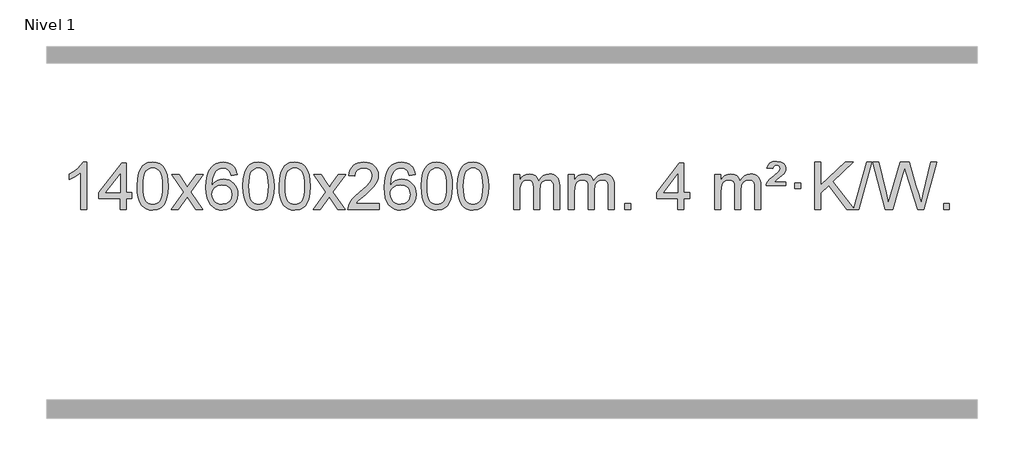
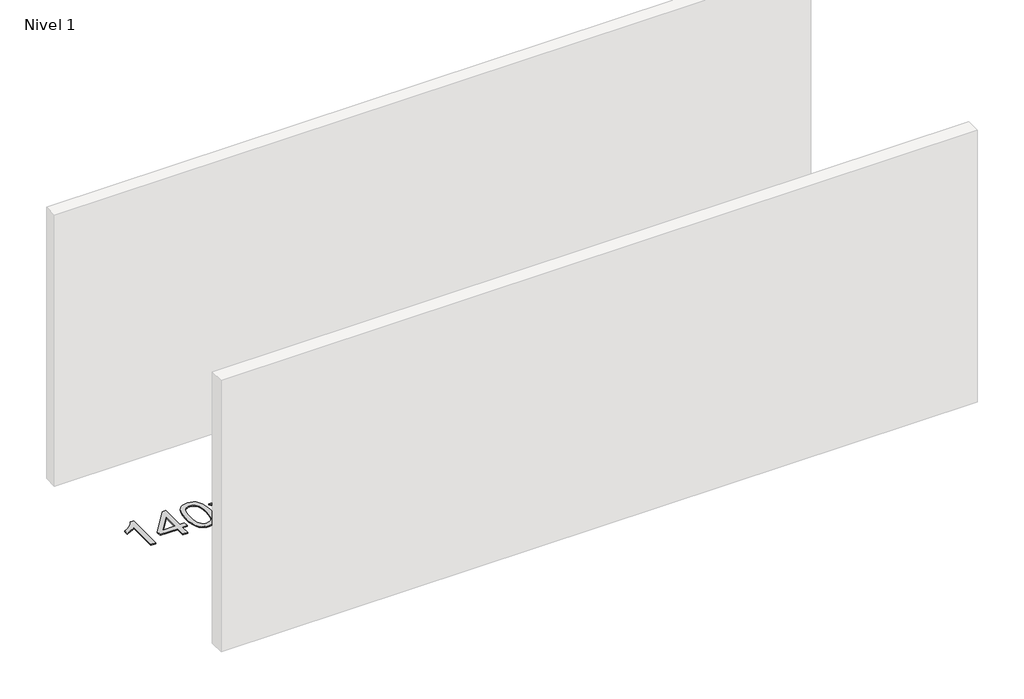
# One storey, part 5 of 12: 1 proxy.
"""IFC4 building model written with IfcOpenShell, lengths in millimetres."""

from ifc_helpers import new_model, si_unit, origin, origin_with_axes, place, context, project, spatial, polyline, outline, extrude, element, save

model = new_model("IFC4")

# Units and contexts
model_context = context("Model", 3, world=origin())
ifc_project = project(units=[si_unit("LENGTHUNIT", "METRE", prefix="MILLI")], contexts=[model_context])

# Site, building, storey
site = spatial("IfcSite", under=ifc_project)
building = spatial("IfcBuilding", under=site)
storey = spatial("IfcBuildingStorey", under=building, Name="Nivel 1", Elevation=0.0)

# Proxy
placement = place(None, origin())
element("IfcBuildingElementProxy", 1, Name="Texto de modelo 1", ObjectType="Texto de modelo 1", at=placement, inside=storey, context=model_context, shape_type="SweptSolid", body=[
    extrude(outline(polyline([(5510.6673634, -15393.579453), (5460.4392083, -15393.579453), (5460.4392083, -15080.4382987), (5439.4699346, -15097.3976587), (5412.8598036, -15114.3324932), (5359.9828981, -15139.6918254), (5359.9828981, -15092.2105225), (5399.4321108, -15070.7507395), (5433.6083481, -15045.219729), (5460.5495729, -15018.0700378), (5478.2937478, -14991.7542124), (5510.6673634, -14991.7542124), (5510.6673634, -15393.579453)])), origin_with_axes(), (0.0, 0.0, 1.0), 10.0),
    extrude(outline(polyline([(5793.2007357, -15393.579453), (5793.2007357, -15299.4016622), (5611.1236735, -15299.4016622), (5611.1236735, -15249.1735072), (5805.7577744, -14998.0327318), (5843.4288907, -14998.0327318), (5843.4288907, -15249.1735072), (5893.6570458, -15249.1735072), (5893.6570458, -15299.4016622), (5843.4288907, -15299.4016622), (5843.4288907, -15393.579453), (5793.2007357, -15393.579453)]), holes=[polyline([(5793.2007357, -15249.1735072), (5793.2007357, -15093.9763561), (5672.9278487, -15249.1735072), (5793.2007357, -15249.1735072)])]), origin_with_axes(), (0.0, 0.0, 1.0), 10.0),
    extrude(outline(polyline([(5937.6066815, -15195.9041943), (5941.2977642, -15131.5861588), (5952.3710122, -15080.2911459), (5970.7160611, -15041.2343407), (5982.5741241, -15026.0009605), (5996.2225461, -15013.6309284), (6011.7073124, -15004.0598651), (6029.0744082, -14997.2233914), (6069.4555886, -14991.7542124), (6100.4067271, -14994.991574), (6128.1205041, -15004.7036586), (6151.2970698, -15020.5103217), (6168.6365745, -15042.0314184), (6181.7331735, -15069.0830078), (6192.1810222, -15101.4811488), (6199.0236273, -15142.6226186), (6201.3044957, -15195.9041943), (6197.6502012, -15259.8543477), (6186.6873177, -15311.0267333), (6168.4526335, -15350.1203266), (6156.6221617, -15365.3996922), (6142.9829367, -15377.8341036), (6127.4797763, -15387.4695462), (6110.0574981, -15394.3520052), (6069.4555886, -15399.8579724), (6041.7908625, -15397.4667394), (6017.2653962, -15390.2930405), (5995.8791895, -15378.3368757), (5977.6322426, -15361.5982449), (5960.1210596, -15331.3399508), (5947.6130718, -15293.6381776), (5940.1082791, -15248.4929255), (5937.6066815, -15195.9041943)]), holes=[polyline([(5987.8348366, -15195.8060924), (5989.3063646, -15239.4706195), (5993.7209485, -15274.8148822), (6001.0785884, -15301.8388804), (6011.3792843, -15320.5426142), (6023.8382212, -15333.2682656), (6037.6705842, -15342.3580165), (6052.8763733, -15347.8118671), (6069.4555886, -15349.6298173), (6086.0348038, -15347.8057357), (6101.240593, -15342.3334911), (6115.072956, -15333.2130833), (6127.5318929, -15320.4445124), (6137.8325887, -15301.7101217), (6145.1902287, -15274.6922549), (6149.6048126, -15239.3909118), (6151.0763406, -15195.8060924), (6149.6538635, -15153.2973278), (6145.3864324, -15118.5753989), (6138.2740471, -15091.6403055), (6128.3167078, -15072.4920476), (6116.0662374, -15059.1440625), (6102.0744588, -15049.6097875), (6086.3413722, -15043.8892225), (6068.8669774, -15041.9823675), (6052.3736013, -15043.6623619), (6037.4253295, -15048.7023452), (6024.0221622, -15057.1023175), (6012.1640992, -15068.8622786), (6001.5200468, -15089.708925), (5993.9171522, -15117.8151094), (5989.3554155, -15153.1808319), (5987.8348366, -15195.8060924)])]), origin_with_axes(), (0.0, 0.0, 1.0), 10.0),
    extrude(outline(polyline([(6226.4185732, -15393.579453), (6333.7420139, -15245.2494325), (6232.6970926, -15098.4890419), (6293.1278416, -15098.4890419), (6341.8844687, -15169.122385), (6364.6441015, -15202.4770192), (6384.3625765, -15175.2047007), (6439.8882323, -15098.4890419), (6500.3189813, -15098.4890419), (6394.172763, -15245.2494325), (6496.3949067, -15393.579453), (6435.9641576, -15393.579453), (6374.454288, -15304.4048574), (6363.1725735, -15288.1199477), (6286.8493223, -15393.579453), (6226.4185732, -15393.579453)])), origin_with_axes(), (0.0, 0.0, 1.0), 10.0),
    extrude(outline(polyline([(6785.2067984, -15098.4890419), (6734.9786433, -15104.7675613), (6726.8852394, -15079.874213), (6715.9468814, -15062.8780648), (6693.1627232, -15047.2062918), (6665.6206245, -15041.9823675), (6642.2723805, -15045.0235253), (6620.2975627, -15054.1469988), (6601.4252163, -15073.3627017), (6586.0109607, -15099.8134171), (6575.5999003, -15137.227016), (6571.7371393, -15189.3313693), (6591.8848099, -15165.8237098), (6616.0301315, -15149.2567573), (6642.8242035, -15139.434308), (6670.9181252, -15136.1601582), (6695.0511841, -15138.398107), (6717.3203076, -15145.1119534), (6737.7254956, -15156.3016975), (6756.2667481, -15171.9673391), (6771.6748723, -15191.1769106), (6782.6806754, -15212.9984443), (6789.2841572, -15237.4319401), (6791.4853178, -15264.4773982), (6787.340514, -15300.4439945), (6774.9061025, -15333.786366), (6755.2121531, -15362.0642287), (6729.2887351, -15382.8372987), (6698.3130711, -15395.602804), (6663.4623835, -15399.8579724), (6633.5198547, -15397.0375437), (6606.4774624, -15388.5762579), (6582.3352065, -15374.4741147), (6561.0930869, -15354.7311143), (6543.775042, -15328.5133908), (6531.4050099, -15294.9870783), (6523.9829907, -15254.1521768), (6521.5089843, -15206.0086864), (6524.2558365, -15152.0342663), (6532.4963932, -15105.9693092), (6546.2306543, -15067.8138149), (6565.4586199, -15037.5677835), (6586.299135, -15017.5243462), (6610.4628507, -15003.2076052), (6637.9497671, -14994.6175606), (6668.7598842, -14991.7542124), (6691.8935303, -14993.5261773), (6712.8321472, -14998.8420722), (6731.5757349, -15007.7018969), (6748.1242933, -15020.1056515), (6762.0302327, -15035.6364031), (6772.8459634, -15053.8772186), (6780.5714853, -15074.8280983), (6785.2067984, -15098.4890419)]), holes=[polyline([(6571.7371393, -15263.6925832), (6574.6434071, -15285.9494439), (6583.3622104, -15307.2007605), (6596.9002678, -15325.472233), (6614.264298, -15338.7895612), (6635.221309, -15346.9197533), (6659.5383088, -15349.6298173), (6692.6844766, -15344.0134855), (6706.5996131, -15336.9930708), (6718.7427846, -15327.1644901), (6728.592825, -15314.9262824), (6735.6285682, -15300.6769865), (6741.2571627, -15266.1451299), (6735.7021446, -15232.9989621), (6728.7583719, -15219.3781312), (6719.0370902, -15207.725469), (6706.8571305, -15198.3904634), (6692.5373238, -15191.7226022), (6657.4781697, -15186.3883133), (6624.3810528, -15191.7226022), (6596.7040641, -15207.725469), (6585.7810345, -15219.2248471), (6577.9788705, -15232.3858254), (6573.2975721, -15247.2084042), (6571.7371393, -15263.6925832)])]), origin_with_axes(), (0.0, 0.0, 1.0), 10.0),
    extrude(outline(polyline([(6835.4349535, -15195.9041943), (6839.1260362, -15131.5861588), (6850.1992842, -15080.2911459), (6868.544333, -15041.2343407), (6880.402396, -15026.0009605), (6894.050818, -15013.6309284), (6909.5355843, -15004.0598651), (6926.9026802, -14997.2233914), (6967.2838605, -14991.7542124), (6998.2349991, -14994.991574), (7025.948776, -15004.7036586), (7049.1253417, -15020.5103217), (7066.4648464, -15042.0314184), (7079.5614455, -15069.0830078), (7090.0092941, -15101.4811488), (7096.8518992, -15142.6226186), (7099.1327676, -15195.9041943), (7095.4784731, -15259.8543477), (7084.5155897, -15311.0267333), (7066.2809054, -15350.1203266), (7054.4504336, -15365.3996922), (7040.8112086, -15377.8341036), (7025.3080482, -15387.4695462), (7007.8857701, -15394.3520052), (6967.2838605, -15399.8579724), (6939.6191345, -15397.4667394), (6915.0936682, -15390.2930405), (6893.7074615, -15378.3368757), (6875.4605145, -15361.5982449), (6857.9493316, -15331.3399508), (6845.4413437, -15293.6381776), (6837.936551, -15248.4929255), (6835.4349535, -15195.9041943)]), holes=[polyline([(6885.6631085, -15195.8060924), (6887.1346365, -15239.4706195), (6891.5492205, -15274.8148822), (6898.9068604, -15301.8388804), (6909.2075562, -15320.5426142), (6921.6664931, -15333.2682656), (6935.4988562, -15342.3580165), (6950.7046453, -15347.8118671), (6967.2838605, -15349.6298173), (6983.8630758, -15347.8057357), (6999.0688649, -15342.3334911), (7012.9012279, -15333.2130833), (7025.3601648, -15320.4445124), (7035.6608607, -15301.7101217), (7043.0185006, -15274.6922549), (7047.4330846, -15239.3909118), (7048.9046125, -15195.8060924), (7047.4821355, -15153.2973278), (7043.2147043, -15118.5753989), (7036.1023191, -15091.6403055), (7026.1449798, -15072.4920476), (7013.8945093, -15059.1440625), (6999.9027308, -15049.6097875), (6984.1696441, -15043.8892225), (6966.6952493, -15041.9823675), (6950.2018732, -15043.6623619), (6935.2536015, -15048.7023452), (6921.8504341, -15057.1023175), (6909.9923712, -15068.8622786), (6899.3483188, -15089.708925), (6891.7454242, -15117.8151094), (6887.1836875, -15153.1808319), (6885.6631085, -15195.8060924)])]), origin_with_axes(), (0.0, 0.0, 1.0), 10.0),
    extrude(outline(polyline([(7143.0824033, -15195.9041943), (7146.773486, -15131.5861588), (7157.846734, -15080.2911459), (7176.1917829, -15041.2343407), (7188.0498458, -15026.0009605), (7201.6982679, -15013.6309284), (7217.1830342, -15004.0598651), (7234.55013, -14997.2233914), (7274.9313104, -14991.7542124), (7305.8824489, -14994.991574), (7333.5962259, -15004.7036586), (7356.7727916, -15020.5103217), (7374.1122963, -15042.0314184), (7387.2088953, -15069.0830078), (7397.656744, -15101.4811488), (7404.4993491, -15142.6226186), (7406.7802174, -15195.9041943), (7403.125923, -15259.8543477), (7392.1630395, -15311.0267333), (7373.9283553, -15350.1203266), (7362.0978834, -15365.3996922), (7348.4586585, -15377.8341036), (7332.9554981, -15387.4695462), (7315.5332199, -15394.3520052), (7274.9313104, -15399.8579724), (7247.2665843, -15397.4667394), (7222.741118, -15390.2930405), (7201.3549113, -15378.3368757), (7183.1079644, -15361.5982449), (7165.5967814, -15331.3399508), (7153.0887936, -15293.6381776), (7145.5840009, -15248.4929255), (7143.0824033, -15195.9041943)]), holes=[polyline([(7193.3105584, -15195.8060924), (7194.7820864, -15239.4706195), (7199.1966703, -15274.8148822), (7206.5543102, -15301.8388804), (7216.8550061, -15320.5426142), (7229.313943, -15333.2682656), (7243.146306, -15342.3580165), (7258.3520951, -15347.8118671), (7274.9313104, -15349.6298173), (7291.5105256, -15347.8057357), (7306.7163148, -15342.3334911), (7320.5486778, -15333.2130833), (7333.0076147, -15320.4445124), (7343.3083105, -15301.7101217), (7350.6659504, -15274.6922549), (7355.0805344, -15239.3909118), (7356.5520624, -15195.8060924), (7355.1295853, -15153.2973278), (7350.8621542, -15118.5753989), (7343.7497689, -15091.6403055), (7333.7924296, -15072.4920476), (7321.5419592, -15059.1440625), (7307.5501806, -15049.6097875), (7291.817094, -15043.8892225), (7274.3426992, -15041.9823675), (7257.8493231, -15043.6623619), (7242.9010513, -15048.7023452), (7229.497884, -15057.1023175), (7217.639821, -15068.8622786), (7206.9957686, -15089.708925), (7199.392874, -15117.8151094), (7194.8311373, -15153.1808319), (7193.3105584, -15195.8060924)])]), origin_with_axes(), (0.0, 0.0, 1.0), 10.0),
    extrude(outline(polyline([(7431.894295, -15393.579453), (7539.2177357, -15245.2494325), (7438.1728144, -15098.4890419), (7498.6035634, -15098.4890419), (7547.3601905, -15169.122385), (7570.1198233, -15202.4770192), (7589.8382982, -15175.2047007), (7645.3639541, -15098.4890419), (7705.7947031, -15098.4890419), (7599.6484848, -15245.2494325), (7701.8706285, -15393.579453), (7641.4398794, -15393.579453), (7579.9300098, -15304.4048574), (7568.6482953, -15288.1199477), (7492.3250441, -15393.579453), (7431.894295, -15393.579453)])), origin_with_axes(), (0.0, 0.0, 1.0), 10.0),
    extrude(outline(polyline([(7990.6825202, -15343.3512979), (7990.6825202, -15393.579453), (7726.984706, -15393.579453), (7728.088352, -15375.8965918), (7732.3803086, -15358.9494945), (7744.7656691, -15331.8856424), (7762.8899888, -15305.6311307), (7789.1077123, -15278.1503456), (7825.7732845, -15247.4076736), (7879.9745651, -15199.2641831), (7912.4953335, -15163.7267824), (7928.7557177, -15134.884834), (7934.1758457, -15106.8277005), (7929.062286, -15081.6768347), (7913.7216068, -15060.7688747), (7890.1403709, -15046.6789943), (7860.3051411, -15041.9823675), (7828.9738578, -15046.5686297), (7804.6323325, -15060.3274163), (7788.9237713, -15082.1796068), (7783.4913805, -15111.0460807), (7733.2632254, -15104.7675613), (7737.5827732, -15078.838012), (7745.4401195, -15056.1826125), (7756.8352643, -15036.8013627), (7771.7682076, -15020.6942627), (7789.8955929, -15008.0329907), (7810.8740637, -14998.989225), (7834.7036199, -14993.5629655), (7861.3842616, -14991.7542124), (7888.3040266, -14993.7653006), (7912.2623416, -14999.7985654), (7933.2592064, -15009.8540066), (7951.2946212, -15023.9316242), (7965.7799748, -15040.9890861), (7976.1266559, -15059.9840598), (7982.3346646, -15080.9165453), (7984.4040008, -15103.7865427), (7982.1721834, -15127.8092369), (7975.4767311, -15151.4149983), (7963.5941426, -15175.4254299), (7945.8009168, -15200.6621347), (7917.437215, -15230.7916701), (7873.8431985, -15269.4805933), (7816.0611998, -15317.795762), (7793.3996689, -15343.3512979), (7990.6825202, -15343.3512979)])), origin_with_axes(), (0.0, 0.0, 1.0), 10.0),
    extrude(outline(polyline([(8298.32997, -15098.4890419), (8248.1018149, -15104.7675613), (8240.0084111, -15079.874213), (8229.0700531, -15062.8780648), (8206.2858948, -15047.2062918), (8178.7437961, -15041.9823675), (8155.3955522, -15045.0235253), (8133.4207343, -15054.1469988), (8114.548388, -15073.3627017), (8099.1341324, -15099.8134171), (8088.7230719, -15137.227016), (8084.860311, -15189.3313693), (8105.0079816, -15165.8237098), (8129.1533032, -15149.2567573), (8155.9473752, -15139.434308), (8184.0412969, -15136.1601582), (8208.1743557, -15138.398107), (8230.4434792, -15145.1119534), (8250.8486672, -15156.3016975), (8269.3899197, -15171.9673391), (8284.798044, -15191.1769106), (8295.803847, -15212.9984443), (8302.4073288, -15237.4319401), (8304.6084894, -15264.4773982), (8300.4636856, -15300.4439945), (8288.0292742, -15333.786366), (8268.3353247, -15362.0642287), (8242.4119068, -15382.8372987), (8211.4362428, -15395.602804), (8176.5855551, -15399.8579724), (8146.6430264, -15397.0375437), (8119.600634, -15388.5762579), (8095.4583781, -15374.4741147), (8074.2162586, -15354.7311143), (8056.8982136, -15328.5133908), (8044.5281816, -15294.9870783), (8037.1061623, -15254.1521768), (8034.6321559, -15206.0086864), (8037.3790081, -15152.0342663), (8045.6195648, -15105.9693092), (8059.353826, -15067.8138149), (8078.5817916, -15037.5677835), (8099.4223066, -15017.5243462), (8123.5860223, -15003.2076052), (8151.0729387, -14994.6175606), (8181.8830558, -14991.7542124), (8205.0167019, -14993.5261773), (8225.9553188, -14998.8420722), (8244.6989065, -15007.7018969), (8261.2474649, -15020.1056515), (8275.1534043, -15035.6364031), (8285.969135, -15053.8772186), (8293.6946569, -15074.8280983), (8298.32997, -15098.4890419)]), holes=[polyline([(8084.860311, -15263.6925832), (8087.7665787, -15285.9494439), (8096.485382, -15307.2007605), (8110.0234394, -15325.472233), (8127.3874696, -15338.7895612), (8148.3444806, -15346.9197533), (8172.6614805, -15349.6298173), (8205.8076482, -15344.0134855), (8219.7227847, -15336.9930708), (8231.8659562, -15327.1644901), (8241.7159966, -15314.9262824), (8248.7517398, -15300.6769865), (8254.3803343, -15266.1451299), (8248.8253162, -15232.9989621), (8241.8815435, -15219.3781312), (8232.1602618, -15207.725469), (8219.9803021, -15198.3904634), (8205.6604954, -15191.7226022), (8170.6013413, -15186.3883133), (8137.5042245, -15191.7226022), (8109.8272357, -15207.725469), (8098.9042061, -15219.2248471), (8091.1020421, -15232.3858254), (8086.4207438, -15247.2084042), (8084.860311, -15263.6925832)])]), origin_with_axes(), (0.0, 0.0, 1.0), 10.0),
    extrude(outline(polyline([(8348.5581251, -15195.9041943), (8352.2492078, -15131.5861588), (8363.3224558, -15080.2911459), (8381.6675047, -15041.2343407), (8393.5255676, -15026.0009605), (8407.1739897, -15013.6309284), (8422.658756, -15004.0598651), (8440.0258518, -14997.2233914), (8480.4070322, -14991.7542124), (8511.3581707, -14994.991574), (8539.0719477, -15004.7036586), (8562.2485134, -15020.5103217), (8579.5880181, -15042.0314184), (8592.6846171, -15069.0830078), (8603.1324658, -15101.4811488), (8609.9750709, -15142.6226186), (8612.2559392, -15195.9041943), (8608.6016448, -15259.8543477), (8597.6387613, -15311.0267333), (8579.4040771, -15350.1203266), (8567.5736052, -15365.3996922), (8553.9343803, -15377.8341036), (8538.4312199, -15387.4695462), (8521.0089417, -15394.3520052), (8480.4070322, -15399.8579724), (8452.7423061, -15397.4667394), (8428.2168398, -15390.2930405), (8406.8306331, -15378.3368757), (8388.5836862, -15361.5982449), (8371.0725032, -15331.3399508), (8358.5645154, -15293.6381776), (8351.0597227, -15248.4929255), (8348.5581251, -15195.9041943)]), holes=[polyline([(8398.7862802, -15195.8060924), (8400.2578082, -15239.4706195), (8404.6723921, -15274.8148822), (8412.030032, -15301.8388804), (8422.3307279, -15320.5426142), (8434.7896648, -15333.2682656), (8448.6220278, -15342.3580165), (8463.8278169, -15347.8118671), (8480.4070322, -15349.6298173), (8496.9862474, -15347.8057357), (8512.1920366, -15342.3334911), (8526.0243996, -15333.2130833), (8538.4833365, -15320.4445124), (8548.7840323, -15301.7101217), (8556.1416722, -15274.6922549), (8560.5562562, -15239.3909118), (8562.0277842, -15195.8060924), (8560.6053071, -15153.2973278), (8556.337876, -15118.5753989), (8549.2254907, -15091.6403055), (8539.2681514, -15072.4920476), (8527.017681, -15059.1440625), (8513.0259024, -15049.6097875), (8497.2928157, -15043.8892225), (8479.818421, -15041.9823675), (8463.3250449, -15043.6623619), (8448.3767731, -15048.7023452), (8434.9736058, -15057.1023175), (8423.1155428, -15068.8622786), (8412.4714904, -15089.708925), (8404.8685958, -15117.8151094), (8400.3068591, -15153.1808319), (8398.7862802, -15195.8060924)])]), origin_with_axes(), (0.0, 0.0, 1.0), 10.0),
    extrude(outline(polyline([(8656.2055749, -15195.9041943), (8659.8966576, -15131.5861588), (8670.9699057, -15080.2911459), (8689.3149545, -15041.2343407), (8701.1730175, -15026.0009605), (8714.8214395, -15013.6309284), (8730.3062058, -15004.0598651), (8747.6733017, -14997.2233914), (8788.054482, -14991.7542124), (8819.0056205, -14994.991574), (8846.7193975, -15004.7036586), (8869.8959632, -15020.5103217), (8887.2354679, -15042.0314184), (8900.3320669, -15069.0830078), (8910.7799156, -15101.4811488), (8917.6225207, -15142.6226186), (8919.9033891, -15195.9041943), (8916.2490946, -15259.8543477), (8905.2862111, -15311.0267333), (8887.0515269, -15350.1203266), (8875.2210551, -15365.3996922), (8861.5818301, -15377.8341036), (8846.0786697, -15387.4695462), (8828.6563915, -15394.3520052), (8788.054482, -15399.8579724), (8760.389756, -15397.4667394), (8735.8642896, -15390.2930405), (8714.478083, -15378.3368757), (8696.231136, -15361.5982449), (8678.719953, -15331.3399508), (8666.2119652, -15293.6381776), (8658.7071725, -15248.4929255), (8656.2055749, -15195.9041943)]), holes=[polyline([(8706.43373, -15195.8060924), (8707.905258, -15239.4706195), (8712.3198419, -15274.8148822), (8719.6774818, -15301.8388804), (8729.9781777, -15320.5426142), (8742.4371146, -15333.2682656), (8756.2694776, -15342.3580165), (8771.4752668, -15347.8118671), (8788.054482, -15349.6298173), (8804.6336973, -15347.8057357), (8819.8394864, -15342.3334911), (8833.6718494, -15333.2130833), (8846.1307863, -15320.4445124), (8856.4314822, -15301.7101217), (8863.7891221, -15274.6922549), (8868.203706, -15239.3909118), (8869.675234, -15195.8060924), (8868.252757, -15153.2973278), (8863.9853258, -15118.5753989), (8856.8729406, -15091.6403055), (8846.9156012, -15072.4920476), (8834.6651308, -15059.1440625), (8820.6733522, -15049.6097875), (8804.9402656, -15043.8892225), (8787.4658708, -15041.9823675), (8770.9724947, -15043.6623619), (8756.024223, -15048.7023452), (8742.6210556, -15057.1023175), (8730.7629926, -15068.8622786), (8720.1189402, -15089.708925), (8712.5160457, -15117.8151094), (8707.9543089, -15153.1808319), (8706.43373, -15195.8060924)])]), origin_with_axes(), (0.0, 0.0, 1.0), 10.0),
    extrude(outline(polyline([(9133.3730481, -15393.579453), (9133.3730481, -15098.4890419), (9183.6012032, -15098.4890419), (9183.6012032, -15147.0494653), (9198.7088905, -15124.7435537), (9218.1330598, -15107.2691589), (9241.2115237, -15095.9751816), (9267.2820944, -15092.2105225), (9295.2166006, -15096.048758), (9317.6083513, -15107.5634645), (9334.3347194, -15125.9943524), (9345.2730774, -15150.5811324), (9363.581338, -15125.0439906), (9384.4647726, -15106.803175), (9407.9233811, -15095.8586857), (9433.9571637, -15092.2105225), (9454.0649804, -15093.7280358), (9471.7141191, -15098.2805755), (9486.9045798, -15105.8681416), (9499.6363625, -15116.4907342), (9509.7010008, -15130.2709806), (9516.8900281, -15147.3315082), (9521.2034445, -15167.6723168), (9522.64125, -15191.2934066), (9522.64125, -15393.579453), (9472.4130949, -15393.579453), (9472.4130949, -15212.875817), (9471.2481352, -15187.8230531), (9467.7532563, -15170.9372695), (9461.2049568, -15159.3735121), (9450.8797354, -15150.2868268), (9437.5991954, -15144.4007149), (9422.1849398, -15142.4386776), (9394.9739349, -15147.4663982), (9372.7906506, -15162.54956), (9364.1852776, -15174.1194488), (9358.0385826, -15188.7182326), (9353.1212266, -15227.0024856), (9353.1212266, -15393.579453), (9302.8930715, -15393.579453), (9302.8930715, -15207.2840106), (9299.9868038, -15178.8835206), (9291.2680005, -15158.6254854), (9275.9273213, -15146.4853796), (9253.1554258, -15142.4386776), (9233.8048328, -15145.1364789), (9215.9748188, -15153.2298828), (9201.259539, -15166.5226856), (9191.2531487, -15184.8186835), (9185.5141896, -15210.2025411), (9183.6012032, -15244.7589232), (9183.6012032, -15393.579453), (9133.3730481, -15393.579453)])), origin_with_axes(), (0.0, 0.0, 1.0), 10.0),
    extrude(outline(polyline([(9597.9834826, -15393.579453), (9597.9834826, -15098.4890419), (9648.2116377, -15098.4890419), (9648.2116377, -15147.0494653), (9663.3193249, -15124.7435537), (9682.7434943, -15107.2691589), (9705.8219581, -15095.9751816), (9731.8925288, -15092.2105225), (9759.827035, -15096.048758), (9782.2187858, -15107.5634645), (9798.9451538, -15125.9943524), (9809.8835118, -15150.5811324), (9828.1917724, -15125.0439906), (9849.075207, -15106.803175), (9872.5338156, -15095.8586857), (9898.5675981, -15092.2105225), (9918.6754148, -15093.7280358), (9936.3245535, -15098.2805755), (9951.5150143, -15105.8681416), (9964.246797, -15116.4907342), (9974.3114352, -15130.2709806), (9981.5004626, -15147.3315082), (9985.8138789, -15167.6723168), (9987.2516844, -15191.2934066), (9987.2516844, -15393.579453), (9937.0235293, -15393.579453), (9937.0235293, -15212.875817), (9935.8585697, -15187.8230531), (9932.3636907, -15170.9372695), (9925.8153912, -15159.3735121), (9915.4901699, -15150.2868268), (9902.2096299, -15144.4007149), (9886.7953743, -15142.4386776), (9859.5843694, -15147.4663982), (9837.401085, -15162.54956), (9828.795712, -15174.1194488), (9822.649017, -15188.7182326), (9817.731661, -15227.0024856), (9817.731661, -15393.579453), (9767.503506, -15393.579453), (9767.503506, -15207.2840106), (9764.5972382, -15178.8835206), (9755.8784349, -15158.6254854), (9740.5377557, -15146.4853796), (9717.7658602, -15142.4386776), (9698.4152673, -15145.1364789), (9680.5852532, -15153.2298828), (9665.8699734, -15166.5226856), (9655.8635832, -15184.8186835), (9650.124624, -15210.2025411), (9648.2116377, -15244.7589232), (9648.2116377, -15393.579453), (9597.9834826, -15393.579453)])), origin_with_axes(), (0.0, 0.0, 1.0), 10.0),
    extrude(outline(polyline([(10075.1509558, -15393.579453), (10075.1509558, -15343.3512979), (10125.3791109, -15343.3512979), (10125.3791109, -15393.579453), (10075.1509558, -15393.579453)])), origin_with_axes(), (0.0, 0.0, 1.0), 10.0),
    extrude(outline(polyline([(10527.2043515, -15393.579453), (10527.2043515, -15299.4016622), (10345.1272893, -15299.4016622), (10345.1272893, -15249.1735072), (10539.7613902, -14998.0327318), (10577.4325065, -14998.0327318), (10577.4325065, -15249.1735072), (10627.6606616, -15249.1735072), (10627.6606616, -15299.4016622), (10577.4325065, -15299.4016622), (10577.4325065, -15393.579453), (10527.2043515, -15393.579453)]), holes=[polyline([(10527.2043515, -15249.1735072), (10527.2043515, -15093.9763561), (10406.9314645, -15249.1735072), (10527.2043515, -15249.1735072)])]), origin_with_axes(), (0.0, 0.0, 1.0), 10.0),
    extrude(outline(polyline([(10841.1303207, -15393.579453), (10841.1303207, -15098.4890419), (10891.3584758, -15098.4890419), (10891.3584758, -15147.0494653), (10906.466163, -15124.7435537), (10925.8903324, -15107.2691589), (10948.9687962, -15095.9751816), (10975.0393669, -15092.2105225), (11002.9738731, -15096.048758), (11025.3656239, -15107.5634645), (11042.0919919, -15125.9943524), (11053.0303499, -15150.5811324), (11071.3386105, -15125.0439906), (11092.2220451, -15106.803175), (11115.6806537, -15095.8586857), (11141.7144362, -15092.2105225), (11161.8222529, -15093.7280358), (11179.4713916, -15098.2805755), (11194.6618524, -15105.8681416), (11207.3936351, -15116.4907342), (11217.4582733, -15130.2709806), (11224.6473007, -15147.3315082), (11228.9607171, -15167.6723168), (11230.3985225, -15191.2934066), (11230.3985225, -15393.579453), (11180.1703674, -15393.579453), (11180.1703674, -15212.875817), (11179.0054078, -15187.8230531), (11175.5105288, -15170.9372695), (11168.9622293, -15159.3735121), (11158.637008, -15150.2868268), (11145.356468, -15144.4007149), (11129.9422124, -15142.4386776), (11102.7312075, -15147.4663982), (11080.5479231, -15162.54956), (11071.9425501, -15174.1194488), (11065.7958551, -15188.7182326), (11060.8784991, -15227.0024856), (11060.8784991, -15393.579453), (11010.6503441, -15393.579453), (11010.6503441, -15207.2840106), (11007.7440763, -15178.8835206), (10999.025273, -15158.6254854), (10983.6845938, -15146.4853796), (10960.9126983, -15142.4386776), (10941.5621054, -15145.1364789), (10923.7320913, -15153.2298828), (10909.0168115, -15166.5226856), (10899.0104213, -15184.8186835), (10893.2714621, -15210.2025411), (10891.3584758, -15244.7589232), (10891.3584758, -15393.579453), (10841.1303207, -15393.579453)])), origin_with_axes(), (0.0, 0.0, 1.0), 10.0),
    extrude(outline(polyline([(11274.3481582, -15192.6668327), (11278.174131, -15176.8479069), (11286.5127895, -15160.9799302), (11308.0216235, -15135.8413272), (11339.9783061, -15108.1030247), (11384.1241456, -15070.726214), (11391.2610563, -15059.1992448), (11393.6400265, -15047.3779701), (11391.7515656, -15035.2869152), (11386.0861829, -15025.5012541), (11376.7174547, -15019.026531), (11363.7189576, -15016.8682899), (11351.2845461, -15018.4869707), (11342.4308528, -15023.343013), (11336.0051806, -15032.8098431), (11330.8548327, -15048.2608869), (11280.6266776, -15041.9823675), (11291.4669337, -15016.7701881), (11308.0951999, -14999.2099542), (11331.8603768, -14988.9092583), (11364.111365, -14985.475693), (11399.8940204, -14989.6082341), (11424.640216, -15002.0058573), (11439.0611902, -15020.3386434), (11443.8681816, -15042.2766731), (11439.7724287, -15065.1834586), (11427.4851701, -15086.8149199), (11406.9573547, -15106.6314968), (11370.4879863, -15134.6886303), (11344.8833994, -15161.2742358), (11443.8681816, -15161.2742358), (11443.8681816, -15192.6668327), (11274.3481582, -15192.6668327)])), origin_with_axes(), (0.0, 0.0, 1.0), 10.0),
    extrude(outline(polyline([(11519.2104142, -15217.7809102), (11519.2104142, -15167.5527552), (11569.4385693, -15167.5527552), (11569.4385693, -15217.7809102), (11519.2104142, -15217.7809102)])), origin_with_axes(), (0.0, 0.0, 1.0), 10.0),
    extrude(outline(polyline([(11960.0801972, -15393.579453), (11806.6488798, -15190.9009991), (11738.9585926, -15255.4520265), (11738.9585926, -15393.579453), (11688.7304376, -15393.579453), (11688.7304376, -14991.7542124), (11738.9585926, -14991.7542124), (11738.9585926, -15188.4484525), (11944.9725099, -14991.7542124), (12015.2134456, -14991.7542124), (11842.2598569, -15156.9577537), (12016.9134667, -15387.5349332), (12128.2267945, -14991.7542124), (12173.5498563, -14991.7542124), (12060.5365074, -15393.579453), (12021.4919649, -15393.579453), (12015.2134456, -15393.579453), (11960.0801972, -15393.579453)])), origin_with_axes(), (0.0, 0.0, 1.0), 10.0),
    extrude(outline(polyline([(12288.0347332, -15393.579453), (12178.4549496, -14991.7542124), (12230.2527345, -14991.7542124), (12293.8227432, -15255.844434), (12313.4431163, -15337.3670841), (12334.4369155, -15265.2622131), (12414.0956302, -14991.7542124), (12488.7511498, -14991.7542124), (12546.6312503, -15190.0180823), (12571.4264968, -15263.5944814), (12589.6979692, -15337.3670841), (12608.7297311, -15258.1988788), (12672.8883511, -14991.7542124), (12724.686136, -14991.7542124), (12615.0082505, -15393.579453), (12561.3465301, -15393.579453), (12465.0104983, -15083.5775584), (12451.5705428, -15040.3146358), (12436.4628555, -15092.4067263), (12348.661686, -15393.579453), (12288.0347332, -15393.579453)])), origin_with_axes(), (0.0, 0.0, 1.0), 10.0),
    extrude(outline(polyline([(12781.1928104, -15393.579453), (12781.1928104, -15343.3512979), (12831.4209655, -15343.3512979), (12831.4209655, -15393.579453), (12781.1928104, -15393.579453)])), origin_with_axes(), (0.0, 0.0, 1.0), 10.0),
])

save(model, "model.ifc")
